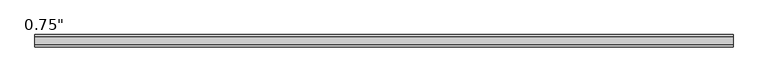
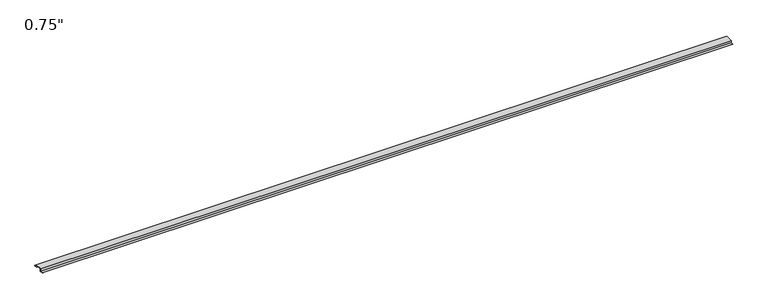
"""IFC4 building model written with IfcOpenShell, lengths in millimetres: proxy geometry."""

from ifc_helpers import new_model, si_unit, frame, origin, place, context, project, spatial, polyline, outline, extrude, source, transform, mapped, element, save


def proxy_800f6bdc(model_context):
    return source(origin(), model_context, "Body", "SweptSolid", [
        extrude(outline(polyline([(46.0559645, -17.4625), (25.4, -17.4625), (25.4, 0.0), (-25.4, 0.0), (-25.4, -17.4625), (-46.0559645, -17.4625), (-46.0559645, -15.8492), (-27.0129, -15.8492), (-27.0129, 1.6129), (27.0129, 1.6129), (27.0129, -15.8492), (46.0559645, -15.8492), (46.0559645, -17.4625)])), frame((0.0, 0.0, 0.0), z_axis=(1.0, 0.0, 0.0), x_axis=(0.0, 1.0, 0.0)), (0.0, 0.0, 1.0), 5154.9861408),
    ])


if __name__ == "__main__":
    model = new_model("IFC4")
    model_context = context("Model", 3, world=origin())
    ifc_project = project(units=[si_unit("LENGTHUNIT", "METRE", prefix="MILLI")], contexts=[model_context])
    site = spatial("IfcSite", under=ifc_project)
    building = spatial("IfcBuilding", under=site)
    placement = place(None, origin())
    proxy_shape = proxy_800f6bdc(model_context)
    element("IfcBuildingElementProxy", 1, Name="0.75\"", ObjectType="0.75\"", at=placement, inside=building, context=model_context, shape_type="MappedRepresentation", body=[
        mapped(proxy_shape, transform((0.0, 0.0, 0.0), x_axis=(1.0, 0.0, 0.0), y_axis=(0.0, 1.0, 0.0), z_axis=(0.0, 0.0, 1.0))),
    ])
    save(model, "model.ifc")
